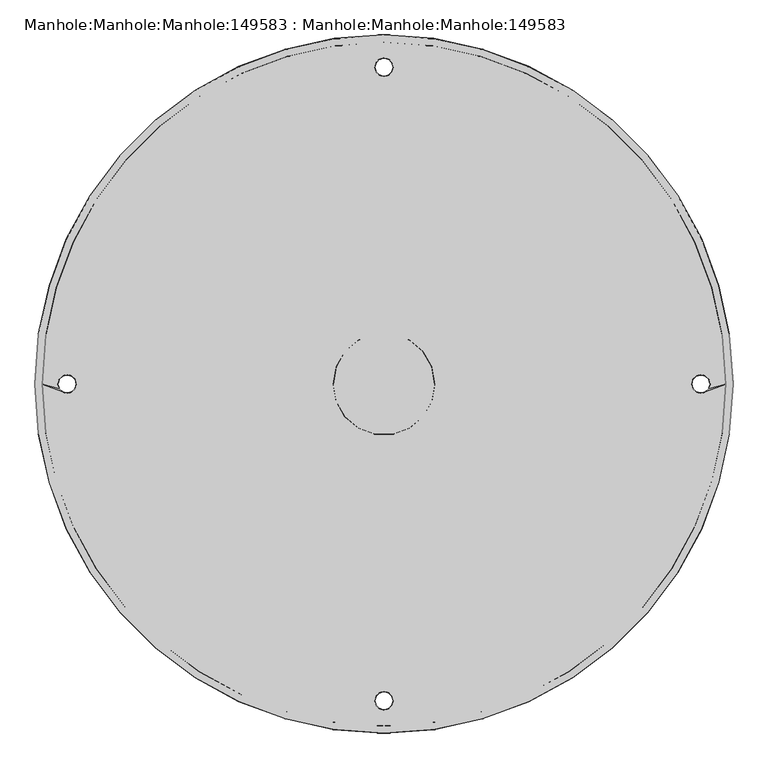
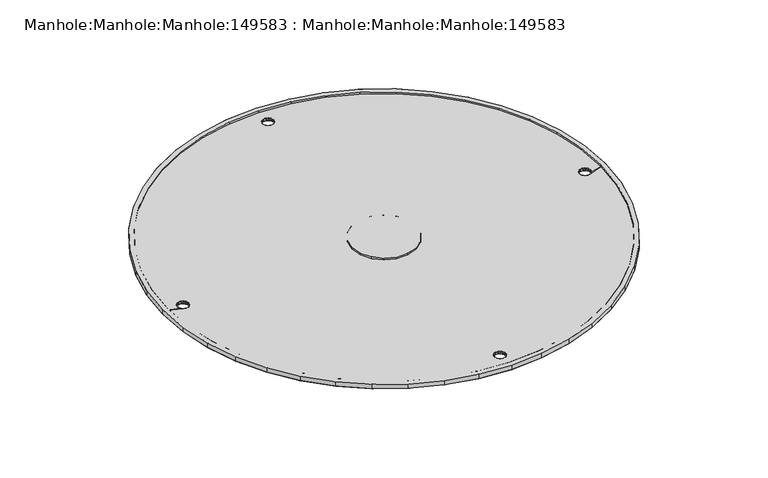
"""IFC4 building model written with IfcOpenShell, lengths in millimetres: proxy geometry, Manhole:Manhole:Manhole:149583 : Manhole:Manhole:Manhole:149583."""

from ifc_helpers import new_model, si_unit, origin, place, context, project, spatial, triangles, source, transform, mapped, element, save


def manhole_manhole_manhole_149583_manhole_manhole_manhole_1c07f8a0(model_context):
    return source(origin(), model_context, "Body", "Tessellation", [
        triangles([(-93507.576123, -26229.0199402, 238223.5986328), (-93513.7896973, -26142.2670959, 238224.2311523), (-93532.27229, -26057.2792603, 238224.8636719), (-93562.6704346, -25975.7888855, 238225.4589844), (-93604.3516113, -25899.45401, 238226.0170898), (-93656.4786621, -25829.8280273, 238226.5379883), (-93717.9818848, -25768.3271301, 238226.9844727), (-93787.605542, -25716.2047302, 238227.3751465), (-93863.9450684, -25674.5235535, 238227.6728027), (-93945.4377686, -25644.1277344, 238227.8960449), (-94030.4279297, -25625.6404907, 238228.044873), (-94117.176123, -25619.4362183, 238228.0820801), (-94203.9336182, -25625.6404907, 238228.044873), (-94288.9237793, -25644.1277344, 238227.8960449), (-94370.4164795, -25674.5235535, 238227.6728027), (-94446.7560059, -25716.2047302, 238227.3751465), (-94516.3796631, -25768.3271301, 238226.9844727), (-94577.8828857, -25829.8280273, 238226.5379883), (-94630.0099365, -25899.45401, 238226.0170898), (-94671.6911133, -25975.7888855, 238225.4589844), (-94702.0892578, -26057.2792603, 238224.8636719), (-94720.5718506, -26142.2670959, 238224.2311523), (-94726.776123, -26229.0199402, 238223.5986328), (-94720.5718506, -26315.7727844, 238222.9475098), (-94702.0892578, -26400.7582947, 238222.3335938), (-94671.6911133, -26482.2486694, 238221.7382812), (-94630.0099365, -26558.5858704, 238221.1615723), (-94577.8828857, -26628.211853, 238220.6592773), (-94516.3796631, -26689.7127502, 238220.1941895), (-94446.7560059, -26741.8328247, 238219.8221191), (-94370.4164795, -26783.5163269, 238219.5058594), (-94288.9237793, -26813.9098206, 238219.2826172), (-94203.9336182, -26832.3970642, 238219.1523926), (-94117.176123, -26838.6036621, 238219.096582), (-94030.4279297, -26832.3970642, 238219.1523926), (-93945.4377686, -26813.9098206, 238219.2826172), (-93863.9450684, -26783.5163269, 238219.5058594), (-93787.605542, -26741.8328247, 238219.8221191), (-93717.9818848, -26689.7127502, 238220.1941895), (-93656.4786621, -26628.211853, 238220.6592773), (-93604.3516113, -26558.5858704, 238221.1615723), (-93562.6704346, -26482.2486694, 238221.7382812), (-93532.27229, -26400.7582947, 238222.3335938), (-93513.7896973, -26315.7727844, 238222.9475098), (-94714.0792236, -26229.0199402, 238223.5986328), (-94708.0051758, -26144.0739624, 238224.2125488), (-94689.9039551, -26060.8581116, 238224.8264648), (-94660.1383301, -25981.0653076, 238225.4217773), (-94619.3222168, -25906.3187073, 238225.9798828), (-94568.2834717, -25838.1437988, 238226.4821777), (-94508.0638916, -25777.9242188, 238226.9100586), (-94439.8913086, -25726.8877991, 238227.3007324), (-94365.1423828, -25686.0740112, 238227.5983887), (-94285.3426025, -25656.3130371, 238227.8216309), (-94202.1290771, -25638.2118164, 238227.9518555), (-94117.176123, -25632.1354431, 238227.9890625), (-94032.2324707, -25638.2118164, 238227.9518555), (-93949.0189453, -25656.3130371, 238227.8216309), (-93869.219165, -25686.0740112, 238227.5983887), (-93794.4702393, -25726.8877991, 238227.3007324), (-93726.2976562, -25777.9242188, 238226.9100586), (-93666.0780762, -25838.1437988, 238226.4821777), (-93615.0393311, -25906.3187073, 238225.9798828), (-93574.2232178, -25981.0653076, 238225.4217773), (-93544.4575928, -26060.8581116, 238224.8264648), (-93526.3563721, -26144.0739624, 238224.2125488), (-93520.2823242, -26229.0199402, 238223.5986328), (-93526.3563721, -26313.9635925, 238222.9661133), (-93544.4575928, -26397.1817688, 238222.3521973), (-93574.2232178, -26476.9745728, 238221.7754883), (-93615.0393311, -26551.7188477, 238221.2173828), (-93666.0780762, -26619.8960815, 238220.7150879), (-93726.2976562, -26680.1133362, 238220.2686035), (-93794.4702393, -26731.1497559, 238219.8965332), (-93869.219165, -26771.9635437, 238219.598877), (-93949.0189453, -26801.7245178, 238219.3756348), (-94032.2324707, -26819.828064, 238219.2454102), (-94117.176123, -26825.9021118, 238219.2082031), (-94202.1290771, -26819.828064, 238219.2454102), (-94285.3426025, -26801.7245178, 238219.3756348), (-94365.1423828, -26771.9635437, 238219.598877), (-94439.8913086, -26731.1497559, 238219.8965332), (-94508.0638916, -26680.1133362, 238220.2686035), (-94568.2834717, -26619.8960815, 238220.7150879), (-94619.3222168, -26551.7188477, 238221.2173828), (-94660.1383301, -26476.9745728, 238221.7754883), (-94689.9039551, -26397.1817688, 238222.3521973), (-94708.0051758, -26313.9635925, 238222.9661133), (-94206.0823242, -26229.0199402, 238223.5986328), (-94200.71521, -26259.425061, 238223.3753906), (-94185.2835938, -26286.1606384, 238223.170752), (-94161.6292236, -26306.0059387, 238223.0219238), (-94132.617041, -26316.5657593, 238222.9475098), (-94101.7445068, -26316.5657593, 238222.9475098), (-94072.7323242, -26306.0059387, 238223.0219238), (-94049.0779541, -26286.1606384, 238223.170752), (-94033.6463379, -26259.425061, 238223.3753906), (-94028.2792236, -26229.0199402, 238223.5986328), (-94033.6463379, -26198.6148193, 238223.821875), (-94049.0779541, -26171.8769165, 238224.0079102), (-94072.7323242, -26152.0316162, 238224.1567383), (-94101.7445068, -26141.4717957, 238224.2311523), (-94132.617041, -26141.4717957, 238224.2311523), (-94161.6292236, -26152.0316162, 238224.1567383), (-94185.2835938, -26171.8769165, 238224.0079102), (-94200.71521, -26198.6148193, 238223.821875), (-93507.576123, -26228.9269226, 238210.8924316), (-93513.7896973, -26315.6774414, 238210.2599121), (-93532.27229, -26400.6652771, 238209.6273926), (-93562.6704346, -26482.1556519, 238209.0320801), (-93604.3516113, -26558.4905273, 238208.4739746), (-93656.4786621, -26628.1188354, 238207.9530762), (-93717.9818848, -26689.6174072, 238207.5065918), (-93787.605542, -26741.7398071, 238207.115918), (-93863.9450684, -26783.4233093, 238206.8182617), (-93945.4377686, -26813.816803, 238206.5950195), (-94030.4279297, -26832.3040466, 238206.4461914), (-94117.176123, -26838.5083191, 238206.4089844), (-94203.9336182, -26832.3040466, 238206.4461914), (-94288.9237793, -26813.816803, 238206.5950195), (-94370.4164795, -26783.4233093, 238206.8182617), (-94446.7560059, -26741.7398071, 238207.115918), (-94516.3796631, -26689.6174072, 238207.5065918), (-94577.8828857, -26628.1188354, 238207.9530762), (-94630.0099365, -26558.4905273, 238208.4739746), (-94671.6911133, -26482.1556519, 238209.0320801), (-94702.0892578, -26400.6652771, 238209.6273926), (-94720.5718506, -26315.6774414, 238210.2599121), (-94726.776123, -26228.9269226, 238210.8924316), (-94720.5718506, -26142.1740784, 238211.5435547), (-94702.0892578, -26057.1862427, 238212.1574707), (-94671.6911133, -25975.6958679, 238212.7527832), (-94630.0099365, -25899.3609924, 238213.3294922), (-94577.8828857, -25829.7326843, 238213.8317871), (-94516.3796631, -25768.2341125, 238214.296875), (-94446.7560059, -25716.1117126, 238214.6689453), (-94370.4164795, -25674.4282104, 238214.9852051), (-94288.9237793, -25644.0347168, 238215.2084473), (-94203.9336182, -25625.5474731, 238215.3386719), (-94117.176123, -25619.3432007, 238215.3944824), (-94030.4279297, -25625.5474731, 238215.3386719), (-93945.4377686, -25644.0347168, 238215.2084473), (-93863.9450684, -25674.4282104, 238214.9852051), (-93787.605542, -25716.1117126, 238214.6689453), (-93717.9818848, -25768.2341125, 238214.296875), (-93656.4786621, -25829.7326843, 238213.8317871), (-93604.3516113, -25899.3609924, 238213.3294922), (-93562.6704346, -25975.6958679, 238212.7527832), (-93532.27229, -26057.1862427, 238212.1574707), (-93513.7896973, -26142.1740784, 238211.5435547), (-94101.1677979, -26782.2582642, 238206.8182617), (-94102.7583984, -26775.3098511, 238206.8740723), (-94107.1953369, -26769.7404236, 238206.9112793), (-94113.6135498, -26766.6475891, 238206.9298828), (-94120.7386963, -26766.6475891, 238206.9298828), (-94127.1662109, -26769.7404236, 238206.9112793), (-94131.6031494, -26775.3098511, 238206.8740723), (-94133.19375, -26782.2582642, 238206.8182617), (-94131.6031494, -26789.2043518, 238206.7624512), (-94127.1662109, -26794.7737793, 238206.7252441), (-94120.7386963, -26797.8666138, 238206.7066406), (-94113.6135498, -26797.8666138, 238206.7066406), (-94107.1953369, -26794.7737793, 238206.7252441), (-94102.7583984, -26789.2043518, 238206.7624512), (-94101.1677979, -25675.5932556, 238214.9666016), (-94102.7583984, -25668.647168, 238215.0224121), (-94107.1953369, -25663.0777405, 238215.0596191), (-94113.6135498, -25659.984906, 238215.0782227), (-94120.7386963, -25659.984906, 238215.0782227), (-94127.1662109, -25663.0777405, 238215.0596191), (-94131.6031494, -25668.647168, 238215.0224121), (-94133.19375, -25675.5932556, 238214.9666016), (-94131.6031494, -25682.5416687, 238214.9293945), (-94127.1662109, -25688.1110962, 238214.873584), (-94120.7386963, -25691.2039307, 238214.8549805), (-94113.6135498, -25691.2039307, 238214.8549805), (-94107.1953369, -25688.1110962, 238214.873584), (-94102.7583984, -25682.5416687, 238214.9293945), (-94654.5200684, -26228.9269226, 238210.8924316), (-94656.1013672, -26221.9785095, 238210.9482422), (-94660.5476074, -26216.409082, 238210.9854492), (-94666.9658203, -26213.3162476, 238211.0040527), (-94674.0909668, -26213.3162476, 238211.0040527), (-94680.5091797, -26216.409082, 238210.9854492), (-94684.9554199, -26221.9785095, 238210.9482422), (-94686.5367188, -26228.9269226, 238210.8924316), (-94684.9554199, -26235.8730103, 238210.8366211), (-94680.5091797, -26241.4424377, 238210.7994141), (-94674.0909668, -26244.5352722, 238210.7808105), (-94666.9658203, -26244.5352722, 238210.7808105), (-94660.5476074, -26241.4424377, 238210.7994141), (-94656.1013672, -26235.8730103, 238210.8366211), (-93579.8414795, -26228.9269226, 238210.8924316), (-93578.2601807, -26235.8730103, 238210.8366211), (-93573.8139404, -26241.4424377, 238210.7994141), (-93567.3957275, -26244.5352722, 238210.7808105), (-93560.2705811, -26244.5352722, 238210.7808105), (-93553.8523682, -26241.4424377, 238210.7994141), (-93549.4061279, -26235.8730103, 238210.8366211), (-93547.8248291, -26228.9269226, 238210.8924316), (-93549.4061279, -26221.9785095, 238210.9482422), (-93553.8523682, -26216.409082, 238210.9854492), (-93560.2705811, -26213.3162476, 238211.0040527), (-93567.3957275, -26213.3162476, 238211.0040527), (-93573.8139404, -26216.409082, 238210.9854492), (-93578.2601807, -26221.9785095, 238210.9482422), (-94132.1147461, -26778.3143188, 238214.7805664), (-94131.0450439, -26774.3099121, 238214.8177734), (-94106.2465576, -26771.3798584, 238214.836377), (-94104.9722168, -26772.5263, 238206.8926758), (-94129.3800293, -26772.5263, 238206.8926758), (-94132.3937988, -26778.7840576, 238206.8368652), (-94133.19375, -26782.3164001, 238214.7619629), (-94102.2468018, -26778.3143188, 238214.7805664), (-94101.9584473, -26778.7840576, 238206.8368652), (-94101.1677979, -26782.3164001, 238214.7619629), (-94125.1849365, -26768.4498047, 238214.8549805), (-94128.1149902, -26771.3798584, 238214.836377), (-94117.176123, -26766.3057495, 238214.873584), (-94117.176123, -26766.6475891, 238206.9298828), (-94110.4044434, -26768.1940063, 238206.9298828), (-94109.1766113, -26768.4498047, 238214.8549805), (-94113.1763672, -26767.3777771, 238214.873584), (-94121.1851807, -26767.3777771, 238214.873584), (-94123.9571045, -26768.1940063, 238206.9298828), (-94103.3165039, -26774.3099121, 238214.8177734), (-94103.3165039, -26790.3205627, 238214.7061523), (-94102.2468018, -26786.3184814, 238214.7247559), (-94129.3800293, -26791.9902283, 238206.7438477), (-94128.1149902, -26793.2506165, 238214.6689453), (-94104.9722168, -26791.9902283, 238206.7438477), (-94101.9584473, -26785.7301453, 238206.7996582), (-94132.3937988, -26785.7301453, 238206.7996582), (-94132.1147461, -26786.3184814, 238214.7247559), (-94106.2465576, -26793.2506165, 238214.6689453), (-94109.1766113, -26796.1806702, 238214.6503418), (-94117.176123, -26797.8666138, 238206.7066406), (-94117.176123, -26798.3270508, 238214.6317383), (-94125.1849365, -26796.1806702, 238214.6503418), (-94123.9571045, -26796.3201965, 238206.7252441), (-94121.1851807, -26797.2526978, 238214.6503418), (-94113.1763672, -26797.2526978, 238214.6503418), (-94110.4044434, -26796.3201965, 238206.7252441), (-94131.0450439, -26790.3205627, 238214.7061523), (-94131.0450439, -25667.647229, 238222.9661133), (-94132.1147461, -25671.6493103, 238222.9475098), (-94104.9722168, -25665.8612915, 238215.0410156), (-94106.2465576, -25664.7171753, 238222.9847168), (-94129.3800293, -25665.8612915, 238215.0410156), (-94133.19375, -25675.653717, 238222.9103027), (-94132.3937988, -25672.1213745, 238215.0038086), (-94101.1677979, -25675.653717, 238222.9103027), (-94101.9584473, -25672.1213745, 238215.0038086), (-94102.2468018, -25671.6493103, 238222.9475098), (-94128.1149902, -25664.7171753, 238222.9847168), (-94125.1849365, -25661.7871216, 238223.0033203), (-94117.176123, -25659.984906, 238215.0782227), (-94117.176123, -25659.6430664, 238223.0219238), (-94109.1766113, -25661.7871216, 238223.0033203), (-94110.4044434, -25661.5313232, 238215.0782227), (-94113.1763672, -25660.715094, 238223.0219238), (-94121.1851807, -25660.715094, 238223.0219238), (-94123.9571045, -25661.5313232, 238215.0782227), (-94103.3165039, -25667.647229, 238222.9661133), (-94102.2468018, -25679.6557983, 238222.8730957), (-94103.3165039, -25683.6578796, 238222.8544922), (-94128.1149902, -25686.5879333, 238222.8358887), (-94129.3800293, -25685.3252197, 238214.8921875), (-94104.9722168, -25685.3252197, 238214.8921875), (-94101.9584473, -25679.0674622, 238214.947998), (-94132.1147461, -25679.6557983, 238222.8730957), (-94132.3937988, -25679.0674622, 238214.947998), (-94109.1766113, -25689.5179871, 238222.7986816), (-94106.2465576, -25686.5879333, 238222.8358887), (-94117.176123, -25691.6620422, 238222.7986816), (-94117.176123, -25691.2039307, 238214.8549805), (-94123.9571045, -25689.6575134, 238214.873584), (-94125.1849365, -25689.5179871, 238222.7986816), (-94121.1851807, -25690.5900146, 238222.7986816), (-94113.1763672, -25690.5900146, 238222.7986816), (-94110.4044434, -25689.6575134, 238214.873584), (-94131.0450439, -25683.6578796, 238222.8544922), (-94684.3973145, -26220.9785706, 238218.8919434), (-94685.4670166, -26224.9806519, 238218.8547363), (-94659.5895264, -26218.0485168, 238218.9105469), (-94658.3244873, -26219.1949585, 238210.9668457), (-94682.7322998, -26219.1949585, 238210.9668457), (-94686.5367188, -26228.9850586, 238218.8361328), (-94685.7460693, -26225.4527161, 238210.9296387), (-94655.5897705, -26224.9806519, 238218.8547363), (-94655.3107178, -26225.4527161, 238210.9296387), (-94654.5200684, -26228.9850586, 238218.8361328), (-94681.4672607, -26218.0485168, 238218.9105469), (-94678.5279053, -26215.1184631, 238218.9291504), (-94670.5283936, -26213.3162476, 238211.0040527), (-94670.5283936, -26212.974408, 238218.9477539), (-94663.7567139, -26214.8626648, 238211.0040527), (-94662.5195801, -26215.1184631, 238218.9291504), (-94666.5286377, -26214.0464355, 238218.9477539), (-94674.5281494, -26214.0464355, 238218.9477539), (-94677.3000732, -26214.8626648, 238211.0040527), (-94656.6594727, -26220.9785706, 238218.8919434), (-94655.5897705, -26232.9871399, 238218.7989258), (-94656.6594727, -26236.9892212, 238218.7803223), (-94682.7322998, -26238.6565613, 238210.8180176), (-94681.4672607, -26239.9192749, 238218.7617188), (-94658.3244873, -26238.6565613, 238210.8180176), (-94655.3107178, -26232.3988037, 238210.8738281), (-94685.7460693, -26232.3988037, 238210.8738281), (-94685.4670166, -26232.9871399, 238218.7989258), (-94662.5195801, -26242.8493286, 238218.7245117), (-94659.5895264, -26239.9192749, 238218.7617188), (-94670.5283936, -26244.5352722, 238210.7808105), (-94670.5283936, -26244.9933838, 238218.7245117), (-94678.5279053, -26242.8493286, 238218.7245117), (-94677.3000732, -26242.988855, 238210.7994141), (-94674.5281494, -26243.9213562, 238218.7245117), (-94666.5286377, -26243.9213562, 238218.7245117), (-94663.7567139, -26242.988855, 238210.7994141), (-94684.3973145, -26236.9892212, 238218.7803223), (-93549.9642334, -26236.9892212, 238218.7803223), (-93548.8945312, -26232.9871399, 238218.7989258), (-93574.7720215, -26239.9192749, 238218.7617188), (-93576.0370605, -26238.6565613, 238210.8180176), (-93551.629248, -26238.6565613, 238210.8180176), (-93547.8248291, -26228.9850586, 238218.8361328), (-93548.6154785, -26232.3988037, 238210.8738281), (-93578.7717773, -26232.9871399, 238218.7989258), (-93579.0508301, -26232.3988037, 238210.8738281), (-93579.8414795, -26228.9850586, 238218.8361328), (-93552.8942871, -26239.9192749, 238218.7617188), (-93555.8243408, -26242.8493286, 238218.7245117), (-93563.8331543, -26244.5352722, 238210.7808105), (-93563.8331543, -26244.9933838, 238218.7245117), (-93570.604834, -26242.988855, 238210.7994141), (-93571.8419678, -26242.8493286, 238218.7245117), (-93567.8329102, -26243.9213562, 238218.7245117), (-93559.8333984, -26243.9213562, 238218.7245117), (-93557.0614746, -26242.988855, 238210.7994141), (-93577.7020752, -26236.9892212, 238218.7803223), (-93578.7717773, -26224.9806519, 238218.8547363), (-93577.7020752, -26220.9785706, 238218.8919434), (-93551.629248, -26219.1949585, 238210.9668457), (-93552.8942871, -26218.0485168, 238218.9105469), (-93576.0370605, -26219.1949585, 238210.9668457), (-93579.0508301, -26225.4527161, 238210.9296387), (-93548.6154785, -26225.4527161, 238210.9296387), (-93548.8945312, -26224.9806519, 238218.8547363), (-93571.8419678, -26215.1184631, 238218.9291504), (-93574.7720215, -26218.0485168, 238218.9105469), (-93563.8331543, -26213.3162476, 238211.0040527), (-93563.8331543, -26212.974408, 238218.9477539), (-93555.8243408, -26215.1184631, 238218.9291504), (-93557.0614746, -26214.8626648, 238211.0040527), (-93559.8333984, -26214.0464355, 238218.9477539), (-93567.8329102, -26214.0464355, 238218.9477539), (-93570.604834, -26214.8626648, 238211.0040527), (-93549.9642334, -26220.9785706, 238218.8919434), (-93520.2823242, -26228.9850586, 238218.8361328), (-93526.3563721, -26144.0390808, 238219.4500488), (-93544.4575928, -26060.82323, 238220.0639648), (-93574.2232178, -25981.030426, 238220.6592773), (-93615.0393311, -25906.2838257, 238221.2173828), (-93666.0780762, -25838.1089172, 238221.7196777), (-93726.2976562, -25777.8893372, 238222.1475586), (-93794.4702393, -25726.8529175, 238222.5382324), (-93869.219165, -25686.0391296, 238222.8358887), (-93949.0189453, -25656.2781555, 238223.0591309), (-94032.2324707, -25638.1769348, 238223.1893555), (-94117.176123, -25632.1005615, 238223.2265625), (-94202.1290771, -25638.1769348, 238223.1893555), (-94285.3426025, -25656.2781555, 238223.0591309), (-94365.1423828, -25686.0391296, 238222.8358887), (-94439.8913086, -25726.8529175, 238222.5382324), (-94508.0638916, -25777.8893372, 238222.1475586), (-94568.2834717, -25838.1089172, 238221.7196777), (-94619.3222168, -25906.2838257, 238221.2173828), (-94660.1383301, -25981.030426, 238220.6592773), (-94689.9039551, -26060.82323, 238220.0639648), (-94708.0051758, -26144.0390808, 238219.4500488), (-94714.0792236, -26228.9850586, 238218.8361328), (-94708.0051758, -26313.9287109, 238218.2036133), (-94689.9039551, -26397.1468872, 238217.5896973), (-94660.1383301, -26476.9396912, 238217.0129883), (-94619.3222168, -26551.6839661, 238216.4548828), (-94568.2834717, -26619.8588745, 238215.9525879), (-94508.0638916, -26680.0784546, 238215.5061035), (-94439.8913086, -26731.1148743, 238215.1340332), (-94365.1423828, -26771.9286621, 238214.836377), (-94285.3426025, -26801.6896362, 238214.6131348), (-94202.1290771, -26819.7931824, 238214.4829102), (-94117.176123, -26825.8672302, 238214.4457031), (-94032.2324707, -26819.7931824, 238214.4829102), (-93949.0189453, -26801.6896362, 238214.6131348), (-93869.219165, -26771.9286621, 238214.836377), (-93794.4702393, -26731.1148743, 238215.1340332), (-93726.2976562, -26680.0784546, 238215.5061035), (-93666.0780762, -26619.8588745, 238215.9525879), (-93615.0393311, -26551.6839661, 238216.4548828), (-93574.2232178, -26476.9396912, 238217.0129883), (-93544.4575928, -26397.1468872, 238217.5896973), (-93526.3563721, -26313.9287109, 238218.2036133), (-94028.2792236, -26228.9850586, 238218.8361328), (-94033.6463379, -26259.387854, 238218.6128906), (-94049.0779541, -26286.1257568, 238218.408252), (-94072.7323242, -26305.9710571, 238218.2594238), (-94101.7445068, -26316.5308777, 238218.1850098), (-94132.617041, -26316.5308777, 238218.1850098), (-94161.6292236, -26305.9710571, 238218.2594238), (-94185.2835938, -26286.1257568, 238218.408252), (-94200.71521, -26259.387854, 238218.6128906), (-94206.0823242, -26228.9850586, 238218.8361328), (-94200.71521, -26198.5799377, 238219.059375), (-94185.2835938, -26171.8420349, 238219.2454102), (-94161.6292236, -26151.9967346, 238219.3942383), (-94132.617041, -26141.4369141, 238219.4872559), (-94101.7445068, -26141.4369141, 238219.4872559), (-94072.7323242, -26151.9967346, 238219.3942383), (-94049.0779541, -26171.8420349, 238219.2454102), (-94033.6463379, -26198.5799377, 238219.059375)], [[38, 74, 75], [74, 38, 39], [39, 40, 73], [39, 73, 74], [35, 36, 77], [77, 36, 76], [35, 77, 78], [76, 37, 75], [37, 76, 36], [75, 37, 38], [73, 40, 72], [43, 44, 68], [44, 67, 68], [67, 44, 1], [67, 1, 66], [43, 68, 69], [72, 41, 71], [41, 72, 40], [71, 41, 42], [42, 69, 70], [69, 42, 43], [42, 70, 71], [33, 34, 79], [79, 80, 33], [78, 79, 34], [34, 35, 78], [33, 80, 32], [32, 81, 31], [81, 32, 80], [31, 81, 82], [29, 30, 83], [82, 30, 31], [82, 83, 30], [84, 29, 83], [29, 84, 28], [85, 27, 28], [27, 85, 86], [85, 28, 84], [25, 26, 87], [86, 26, 27], [87, 26, 86], [88, 24, 25], [24, 88, 45], [88, 25, 87], [66, 2, 65], [2, 66, 1], [64, 65, 3], [3, 65, 2], [64, 3, 4], [4, 63, 64], [63, 4, 5], [63, 5, 62], [62, 6, 61], [6, 62, 5], [61, 6, 7], [60, 7, 8], [8, 9, 59], [59, 9, 58], [8, 59, 60], [58, 10, 57], [10, 58, 9], [57, 10, 11], [56, 11, 12], [11, 56, 57], [56, 12, 55], [60, 61, 7], [48, 20, 21], [20, 48, 49], [19, 49, 18], [18, 49, 50], [49, 19, 20], [45, 46, 23], [23, 46, 22], [45, 23, 24], [22, 47, 21], [47, 22, 46], [21, 47, 48], [53, 54, 14], [13, 14, 54], [13, 55, 12], [13, 54, 55], [53, 14, 15], [50, 17, 18], [50, 51, 17], [17, 51, 16], [52, 15, 16], [15, 52, 53], [52, 16, 51], [104, 105, 106], [104, 106, 103], [102, 106, 89], [103, 106, 102], [101, 99, 100], [98, 101, 102], [98, 99, 101], [98, 102, 89], [90, 91, 92], [93, 89, 92], [89, 93, 98], [98, 93, 97], [97, 95, 96], [95, 97, 94], [93, 94, 97], [92, 89, 90], [148, 206, 147], [149, 205, 148], [150, 203, 204], [203, 150, 202], [149, 150, 205], [146, 147, 206], [177, 142, 143], [144, 177, 143], [176, 145, 146], [144, 145, 176], [178, 141, 142], [204, 205, 150], [202, 107, 201], [107, 202, 150], [201, 107, 200], [199, 200, 107], [198, 199, 107], [198, 108, 197], [206, 176, 146], [205, 206, 148], [196, 197, 108], [154, 193, 194], [194, 195, 110], [176, 206, 193], [198, 107, 108], [193, 179, 175], [140, 167, 168], [140, 141, 167], [140, 168, 169], [165, 166, 141], [178, 165, 141], [141, 166, 167], [173, 138, 139], [170, 140, 169], [139, 140, 170], [171, 172, 139], [170, 171, 139], [172, 173, 139], [174, 137, 138], [174, 136, 137], [176, 193, 175], [136, 174, 175], [144, 176, 177], [174, 138, 173], [175, 135, 136], [175, 134, 135], [133, 134, 180], [133, 180, 132], [131, 132, 181], [131, 181, 130], [175, 180, 134], [178, 142, 177], [195, 196, 108], [195, 109, 110], [194, 110, 111], [194, 112, 154], [194, 111, 112], [113, 154, 112], [154, 114, 153], [153, 114, 115], [155, 193, 154], [193, 155, 179], [153, 115, 116], [154, 113, 114], [122, 155, 156], [151, 152, 117], [164, 151, 117], [164, 117, 163], [117, 152, 116], [163, 117, 118], [152, 153, 116], [158, 159, 119], [157, 158, 119], [162, 118, 161], [118, 162, 163], [160, 161, 118], [160, 119, 159], [119, 160, 118], [156, 157, 120], [182, 130, 181], [181, 132, 180], [179, 155, 192], [191, 192, 126], [179, 180, 175], [184, 185, 129], [184, 129, 130], [186, 187, 129], [188, 129, 187], [186, 129, 185], [184, 130, 183], [182, 183, 130], [123, 124, 155], [192, 155, 124], [121, 122, 156], [123, 155, 122], [125, 192, 124], [189, 190, 128], [188, 189, 128], [128, 191, 127], [190, 191, 128], [126, 127, 191], [125, 126, 192], [188, 128, 129], [156, 120, 121], [119, 120, 157], [195, 108, 109], [27, 26, 126], [126, 125, 27], [26, 25, 126], [127, 126, 25], [28, 27, 124], [125, 124, 27], [32, 31, 121], [121, 120, 32], [33, 32, 120], [120, 119, 33], [30, 29, 123], [123, 122, 30], [31, 30, 121], [122, 121, 30], [29, 28, 124], [124, 123, 29], [34, 33, 118], [119, 118, 33], [127, 25, 128], [24, 128, 25], [128, 24, 23], [23, 129, 128], [38, 37, 115], [115, 114, 38], [36, 35, 116], [117, 116, 35], [37, 36, 115], [116, 115, 36], [39, 38, 113], [114, 113, 38], [43, 42, 110], [110, 109, 43], [44, 43, 108], [109, 108, 43], [41, 40, 112], [112, 111, 41], [42, 41, 110], [111, 110, 41], [40, 39, 112], [113, 112, 39], [1, 44, 108], [108, 107, 1], [118, 117, 35], [35, 34, 118], [1, 107, 150], [150, 2, 1], [3, 149, 4], [148, 4, 149], [2, 150, 149], [149, 3, 2], [4, 148, 147], [147, 5, 4], [11, 10, 142], [142, 141, 11], [6, 146, 145], [145, 7, 6], [12, 11, 140], [141, 140, 11], [5, 147, 6], [146, 6, 147], [7, 145, 144], [144, 8, 7], [144, 143, 9], [9, 8, 144], [10, 9, 142], [143, 142, 9], [16, 15, 136], [137, 136, 15], [14, 13, 138], [139, 138, 13], [15, 14, 138], [138, 137, 15], [17, 16, 136], [136, 135, 17], [21, 20, 131], [132, 131, 20], [22, 21, 131], [131, 130, 22], [19, 18, 133], [134, 133, 18], [20, 19, 133], [133, 132, 20], [18, 17, 135], [135, 134, 18], [23, 22, 129], [130, 129, 22], [140, 139, 13], [13, 12, 140], [207, 157, 208], [209, 153, 210], [208, 157, 211], [158, 212, 213], [214, 215, 216], [156, 217, 218], [154, 219, 220], [155, 220, 219], [221, 153, 222], [211, 218, 208], [212, 157, 207], [212, 207, 213], [222, 223, 221], [155, 219, 224], [214, 152, 215], [217, 225, 224], [211, 156, 218], [209, 222, 153], [221, 223, 154], [155, 224, 225], [209, 210, 226], [214, 226, 152], [223, 219, 154], [151, 216, 215], [152, 226, 210], [217, 156, 225], [227, 164, 228], [229, 160, 230], [231, 164, 227], [216, 232, 151], [213, 233, 234], [235, 236, 163], [161, 237, 238], [162, 238, 237], [239, 160, 240], [227, 235, 231], [228, 164, 232], [216, 228, 232], [240, 241, 239], [242, 238, 162], [233, 159, 234], [242, 243, 236], [235, 163, 231], [160, 239, 230], [161, 241, 240], [243, 242, 162], [244, 229, 230], [159, 244, 234], [161, 238, 241], [233, 213, 158], [229, 244, 159], [243, 163, 236], [245, 171, 246], [247, 167, 248], [249, 171, 245], [250, 251, 172], [252, 253, 254], [255, 256, 170], [258, 168, 257], [257, 169, 258], [259, 167, 260], [245, 255, 249], [246, 171, 251], [250, 246, 251], [260, 261, 259], [262, 258, 169], [253, 166, 254], [262, 263, 256], [255, 170, 249], [167, 259, 248], [168, 261, 260], [263, 262, 169], [264, 247, 248], [166, 264, 254], [168, 258, 261], [253, 252, 165], [247, 264, 166], [263, 170, 256], [265, 178, 266], [267, 174, 268], [266, 178, 269], [165, 270, 252], [271, 272, 250], [177, 273, 274], [175, 275, 276], [176, 276, 275], [277, 174, 278], [269, 274, 266], [270, 178, 265], [270, 265, 252], [278, 279, 277], [176, 275, 280], [271, 173, 272], [273, 281, 280], [269, 177, 274], [267, 278, 174], [277, 279, 175], [176, 280, 281], [267, 268, 282], [271, 282, 173], [279, 275, 175], [172, 250, 272], [173, 282, 268], [273, 177, 281], [283, 185, 284], [285, 181, 286], [287, 185, 283], [288, 289, 186], [290, 291, 292], [293, 294, 184], [182, 295, 296], [183, 296, 295], [297, 181, 298], [283, 293, 287], [284, 185, 289], [288, 284, 289], [298, 299, 297], [300, 296, 183], [290, 180, 291], [300, 301, 294], [293, 184, 287], [285, 298, 181], [297, 299, 182], [301, 300, 183], [285, 286, 302], [290, 302, 180], [299, 296, 182], [291, 179, 292], [180, 302, 286], [301, 184, 294], [303, 192, 304], [305, 188, 306], [304, 192, 307], [179, 308, 292], [288, 309, 310], [191, 311, 312], [189, 313, 314], [190, 314, 313], [315, 188, 316], [307, 312, 304], [308, 192, 303], [308, 303, 292], [316, 317, 315], [190, 314, 318], [309, 187, 310], [311, 319, 318], [307, 191, 312], [188, 315, 306], [189, 317, 316], [190, 318, 319], [320, 305, 306], [187, 320, 310], [189, 314, 317], [309, 288, 186], [305, 320, 187], [311, 191, 319], [321, 199, 322], [323, 195, 324], [325, 199, 321], [326, 327, 200], [328, 329, 330], [331, 332, 198], [196, 333, 334], [197, 334, 333], [335, 195, 336], [321, 331, 325], [322, 199, 327], [326, 322, 327], [336, 337, 335], [338, 334, 197], [328, 194, 329], [338, 339, 332], [331, 198, 325], [323, 336, 195], [335, 337, 196], [339, 338, 197], [323, 324, 340], [328, 340, 194], [337, 334, 196], [193, 330, 329], [194, 340, 324], [339, 198, 332], [341, 206, 342], [343, 202, 344], [342, 206, 345], [330, 193, 346], [326, 347, 348], [205, 349, 350], [203, 351, 352], [204, 352, 351], [353, 202, 354], [345, 350, 342], [346, 206, 341], [346, 341, 330], [354, 355, 353], [204, 352, 356], [347, 201, 348], [349, 357, 356], [345, 205, 350], [202, 353, 344], [203, 355, 354], [204, 356, 357], [358, 343, 344], [201, 358, 348], [203, 352, 355], [347, 326, 200], [343, 358, 201], [349, 205, 357], [399, 405, 398], [399, 404, 405], [336, 401, 402], [334, 402, 332], [400, 401, 340], [399, 400, 404], [394, 226, 393], [395, 222, 394], [396, 397, 406], [405, 406, 397], [397, 398, 405], [396, 406, 395], [406, 222, 395], [334, 336, 402], [332, 359, 321], [359, 332, 402], [321, 359, 326], [358, 326, 359], [352, 353, 360], [358, 359, 353], [359, 360, 353], [340, 330, 404], [340, 404, 400], [420, 330, 342], [404, 330, 403], [361, 342, 349], [420, 403, 330], [401, 336, 340], [349, 352, 360], [392, 236, 238], [236, 392, 227], [392, 238, 239], [216, 393, 226], [394, 222, 226], [216, 227, 393], [392, 393, 227], [390, 391, 208], [244, 392, 239], [391, 392, 244], [208, 217, 390], [244, 213, 391], [208, 391, 213], [390, 217, 389], [217, 409, 389], [407, 219, 222], [408, 219, 407], [217, 219, 408], [409, 217, 408], [387, 409, 410], [389, 409, 388], [385, 410, 411], [409, 387, 388], [410, 386, 387], [386, 410, 385], [304, 383, 384], [384, 385, 411], [382, 383, 311], [411, 304, 384], [407, 222, 406], [342, 361, 362], [420, 342, 362], [419, 363, 364], [420, 362, 363], [364, 365, 419], [420, 363, 419], [419, 365, 418], [418, 273, 417], [416, 417, 275], [275, 417, 273], [418, 367, 273], [367, 418, 366], [366, 418, 365], [266, 273, 368], [252, 266, 369], [369, 264, 252], [370, 259, 264], [264, 369, 370], [369, 266, 368], [273, 367, 368], [372, 278, 282], [416, 275, 278], [258, 370, 256], [370, 258, 259], [245, 256, 370], [370, 371, 245], [250, 245, 371], [371, 282, 250], [304, 311, 383], [411, 292, 304], [311, 314, 382], [413, 292, 412], [292, 413, 302], [379, 298, 302], [315, 320, 381], [314, 315, 382], [283, 294, 381], [288, 381, 320], [381, 288, 283], [294, 380, 381], [315, 381, 382], [378, 302, 413], [412, 292, 411], [416, 278, 415], [375, 414, 415], [373, 415, 278], [374, 415, 373], [373, 278, 372], [282, 371, 372], [375, 415, 374], [298, 380, 296], [298, 379, 380], [296, 380, 294], [377, 378, 413], [378, 379, 302], [414, 376, 377], [414, 375, 376], [413, 414, 377], [349, 360, 361], [413, 412, 106], [89, 106, 412], [415, 414, 105], [105, 104, 415], [414, 413, 105], [106, 105, 413], [416, 415, 104], [104, 103, 416], [417, 416, 103], [103, 102, 417], [418, 417, 101], [102, 101, 417], [420, 419, 99], [100, 99, 419], [419, 418, 100], [101, 100, 418], [403, 420, 99], [99, 98, 403], [404, 403, 98], [98, 97, 404], [406, 405, 96], [96, 95, 406], [405, 404, 96], [97, 96, 404], [407, 406, 94], [95, 94, 406], [408, 407, 94], [94, 93, 408], [409, 408, 93], [93, 92, 409], [411, 410, 91], [91, 90, 411], [410, 409, 91], [92, 91, 409], [412, 411, 89], [90, 89, 411], [87, 88, 383], [382, 383, 88], [384, 86, 87], [87, 383, 384], [88, 45, 382], [381, 382, 45], [385, 85, 86], [86, 384, 385], [387, 83, 84], [84, 386, 387], [386, 84, 85], [85, 385, 386], [391, 79, 390], [80, 390, 79], [390, 80, 81], [81, 389, 390], [389, 81, 82], [82, 388, 389], [388, 82, 83], [83, 387, 388], [79, 391, 392], [392, 78, 79], [394, 76, 77], [77, 393, 394], [397, 73, 396], [74, 396, 73], [396, 74, 75], [75, 395, 396], [395, 75, 76], [76, 394, 395], [400, 70, 71], [71, 399, 400], [399, 71, 72], [72, 398, 399], [359, 67, 68], [68, 402, 359], [402, 68, 69], [69, 401, 402], [401, 69, 70], [70, 400, 401], [398, 72, 397], [73, 397, 72], [78, 392, 393], [393, 77, 78], [62, 63, 363], [363, 364, 62], [64, 65, 361], [361, 362, 64], [65, 66, 360], [360, 361, 65], [63, 64, 363], [362, 363, 64], [59, 60, 367], [366, 367, 60], [60, 61, 365], [365, 366, 60], [369, 57, 368], [58, 368, 57], [368, 58, 367], [59, 367, 58], [61, 62, 364], [364, 365, 61], [370, 56, 57], [57, 369, 370], [359, 360, 67], [66, 67, 360], [372, 54, 55], [55, 371, 372], [375, 51, 52], [52, 374, 375], [374, 52, 373], [53, 373, 52], [373, 53, 54], [54, 372, 373], [378, 48, 377], [49, 377, 48], [377, 49, 50], [50, 376, 377], [381, 45, 46], [46, 380, 381], [380, 46, 47], [47, 379, 380], [379, 47, 48], [48, 378, 379], [376, 50, 51], [51, 375, 376], [56, 370, 55], [371, 55, 370]], closed=False),
    ])


if __name__ == "__main__":
    model = new_model("IFC4")
    model_context = context("Model", 3, world=origin())
    ifc_project = project(units=[si_unit("LENGTHUNIT", "METRE", prefix="MILLI")], contexts=[model_context])
    site = spatial("IfcSite", under=ifc_project)
    building = spatial("IfcBuilding", under=site)
    placement = place(None, origin())
    manhole_manhole_manhole_149583_manhole_manhole_manhole_shape = manhole_manhole_manhole_149583_manhole_manhole_manhole_1c07f8a0(model_context)
    element("IfcBuildingElementProxy", 1, Name="Manhole:Manhole:Manhole:149583 : Manhole:Manhole:Manhole:149583", ObjectType="Manhole:Manhole:Manhole:149583 : Manhole:Manhole:Manhole:149583", at=placement, inside=building, context=model_context, shape_type="MappedRepresentation", body=[
        mapped(manhole_manhole_manhole_149583_manhole_manhole_manhole_shape, transform((0.0, 0.0, 0.0), x_axis=(1.0, 0.0, 0.0), y_axis=(0.0, 1.0, 0.0), z_axis=(0.0, 0.0, 1.0))),
    ])
    save(model, "model.ifc")
